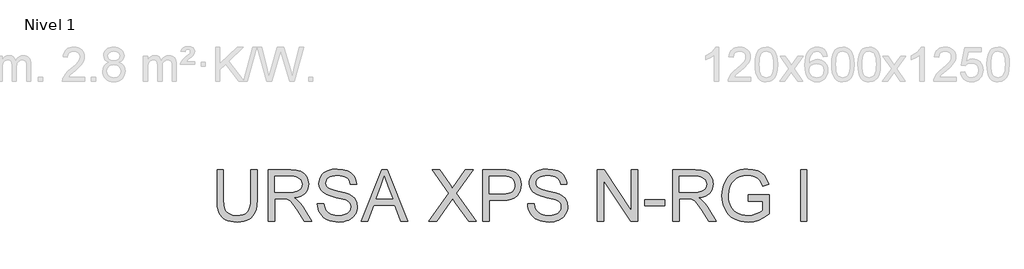
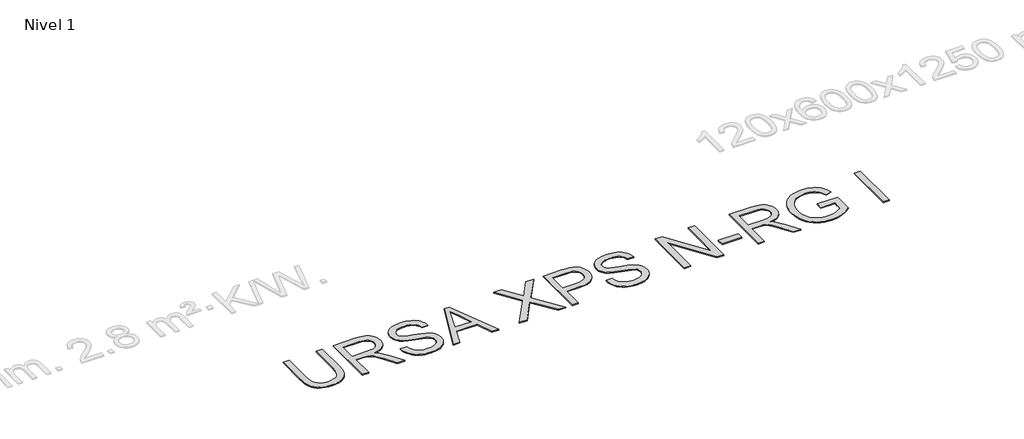
# One storey, part 3 of 4: 1 proxy.
"""IFC4 building model written with IfcOpenShell, lengths in millimetres."""

from ifc_helpers import new_model, si_unit, origin, origin_with_axes, place, context, project, spatial, polyline, outline, extrude, element, save

model = new_model("IFC4")

# Units and contexts
model_context = context("Model", 3, world=origin())
ifc_project = project(units=[si_unit("LENGTHUNIT", "METRE", prefix="MILLI")], contexts=[model_context])

# Site, building, storey
site = spatial("IfcSite", under=ifc_project)
building = spatial("IfcBuilding", under=site)
storey = spatial("IfcBuildingStorey", under=building, Name="Nivel 1", Elevation=0.0)

# Proxy
placement = place(None, origin())
element("IfcBuildingElementProxy", 1, Name="Texto de modelo 3", ObjectType="Texto de modelo 3", at=placement, inside=storey, context=model_context, shape_type="SweptSolid", body=[
    extrude(outline(polyline([(-18736.1659213, -13823.3522814), (-18660.8236886, -13823.3522814), (-18660.8236886, -14171.0743432), (-18665.9372484, -14252.5050228), (-18672.329198, -14286.1984151), (-18681.2779276, -14315.2105089), (-18693.5559892, -14340.6403518), (-18709.935935, -14363.5869913), (-18730.4177651, -14384.0504273), (-18755.0014794, -14402.0306598), (-18783.7146691, -14416.6769617), (-18816.5849254, -14427.1386059), (-18853.6122482, -14433.4155925), (-18894.7966376, -14435.5079213), (-18934.9647529, -14433.6869055), (-18971.2976985, -14428.2238578), (-19003.7954742, -14419.1187784), (-19032.4580802, -14406.3716673), (-19057.2901148, -14390.1710639), (-19078.2961768, -14370.7055079), (-19095.4762659, -14347.9749991), (-19108.8303824, -14321.9795376), (-19118.8413712, -14291.8270096), (-19125.9920774, -14256.6253012), (-19130.2825012, -14216.3744124), (-19131.7126425, -14171.0743432), (-19131.7126425, -13823.3522814), (-19056.3704099, -13823.3522814), (-19056.3704099, -14168.4255928), (-19052.6548017, -14236.134274), (-19041.5079773, -14283.2783517), (-19032.7431887, -14300.6561775), (-19021.3112557, -14315.9278788), (-19007.2121783, -14329.0934557), (-18990.4459563, -14340.1529082), (-18950.1996661, -14355.1624936), (-18901.8599719, -14360.1656887), (-18860.3352917, -14357.6916823), (-18825.2301523, -14350.269663), (-18796.5445537, -14337.899631), (-18774.278496, -14320.581586), (-18757.6042445, -14296.227798), (-18745.6940649, -14262.7505364), (-18738.5479572, -14220.1498014), (-18736.1659213, -14168.4255928), (-18736.1659213, -13823.3522814)])), origin_with_axes(), (0.0, 0.0, 1.0), 10.0),
    extrude(outline(polyline([(-18528.9747816, -14426.0901423), (-18528.9747816, -13823.3522814), (-18269.250093, -13823.3522814), (-18199.4444844, -13827.4173774), (-18148.658375, -13839.6126655), (-18129.0594617, -13849.3063561), (-18111.5390816, -13862.1270436), (-18096.0972349, -13878.0747281), (-18082.7339214, -13897.1494096), (-18071.9503804, -13918.3256169), (-18064.2478512, -13940.5778791), (-18059.6263336, -13963.9061961), (-18058.0858277, -13988.310568), (-18060.6380091, -14019.2678379), (-18068.2945531, -14047.686722), (-18081.0554598, -14073.5672204), (-18098.9207292, -14096.909333), (-18122.1202875, -14116.9680988), (-18150.884061, -14132.9985567), (-18185.2120497, -14145.0007068), (-18225.1042536, -14152.974549), (-18200.2722189, -14169.198145), (-18182.2827893, -14185.2010118), (-18151.4174899, -14221.8052703), (-18121.2143781, -14262.7505364), (-18020.709017, -14426.0901423), (-18108.2649319, -14426.0901423), (-18186.6973733, -14301.1574167), (-18243.3512005, -14218.4575442), (-18264.4124447, -14194.3428794), (-18283.1560324, -14179.3884763), (-18318.9877387, -14165.0410785), (-18362.6921198, -14162.3923281), (-18453.632549, -14162.3923281), (-18453.632549, -14426.0901423), (-18528.9747816, -14426.0901423)]), holes=[polyline([(-18453.632549, -14087.0500955), (-18284.9954424, -14087.0500955), (-18236.5637777, -14084.382951), (-18198.9846319, -14076.3815176), (-18170.6945065, -14062.5123664), (-18150.1299029, -14042.2420685), (-18137.603521, -14017.7227335), (-18133.4280604, -13991.1064712), (-18135.4192217, -13971.8386517), (-18141.3927056, -13954.3550598), (-18151.3485121, -13938.6556957), (-18165.2866411, -13924.7405592), (-18183.5289896, -13913.3454144), (-18206.3974541, -13905.2060253), (-18233.8920347, -13900.3223918), (-18266.0127314, -13898.694514), (-18453.632549, -13898.694514), (-18453.632549, -14087.0500955)])]), origin_with_axes(), (0.0, 0.0, 1.0), 10.0),
    extrude(outline(polyline([(-17954.4902579, -14218.8990026), (-17879.1480253, -14218.8990026), (-17870.5027984, -14260.7087913), (-17854.8678136, -14294.3148116), (-17830.4772373, -14320.9862562), (-17795.565236, -14341.9923182), (-17752.8909245, -14355.6223461), (-17705.213418, -14360.1656887), (-17663.2380823, -14356.7259921), (-17626.486671, -14346.4069021), (-17596.7066235, -14330.0729415), (-17575.6453793, -14308.588633), (-17563.1189973, -14283.9221452), (-17558.9435367, -14258.0416469), (-17562.0705337, -14232.8233361), (-17571.4515245, -14211.0263279), (-17590.5078119, -14192.429893), (-17622.6606983, -14176.8133023), (-17732.3631092, -14148.0449303), (-17804.3760098, -14129.007037), (-17850.4532297, -14110.8888488), (-17887.9587991, -14085.5417793), (-17914.5382732, -14054.8236327), (-17930.3755931, -14019.3965966), (-17935.6546998, -13979.9228585), (-17934.0222234, -13957.4866553), (-17929.1247943, -13935.7954132), (-17920.9624126, -13914.8491321), (-17909.5350781, -13894.647812), (-17894.9715496, -13876.014589), (-17877.4005858, -13859.7725989), (-17856.8221867, -13845.9218418), (-17833.2363523, -13834.4623176), (-17780.2245568, -13819.0664561), (-17721.5473786, -13813.9345023), (-17657.9773698, -13819.3055794), (-17602.3536121, -13835.4188108), (-17578.0182181, -13847.4209609), (-17556.6626683, -13861.9431027), (-17538.2869627, -13878.9852361), (-17522.8911012, -13898.5473612), (-17510.5946455, -13920.0592608), (-17501.5171572, -13942.950718), (-17495.6586365, -13967.2217326), (-17493.0190832, -13992.8723047), (-17568.3613158, -13992.8723047), (-17573.4012991, -13968.8312163), (-17582.1936788, -13947.9171249), (-17594.7384548, -13930.1300305), (-17611.0356272, -13915.4699329), (-17631.3886986, -13904.0104088), (-17656.1011716, -13895.8250344), (-17685.1730463, -13890.9138098), (-17718.6043226, -13889.2767349), (-17753.1024567, -13890.8954157), (-17782.5790016, -13895.751458), (-17807.0339572, -13903.8448619), (-17826.4673236, -13915.1756274), (-17841.2745739, -13928.7964582), (-17851.8511813, -13943.7600584), (-17858.1971457, -13960.0664278), (-17860.3124671, -13977.7155665), (-17858.813348, -13992.8998959), (-17854.3159906, -14006.6678796), (-17846.820395, -14019.0195175), (-17836.3265611, -14029.9548098), (-17819.8086595, -14040.310688), (-17793.7994024, -14050.7769308), (-17713.3068219, -14072.0405101), (-17630.2390674, -14092.2372316), (-17579.9863868, -14109.8587792), (-17537.0361639, -14137.1924114), (-17520.4308903, -14153.2596576), (-17507.0721754, -14170.9271904), (-17496.8036692, -14190.1030394), (-17489.4690219, -14210.6952341), (-17483.6013041, -14256.1286605), (-17485.2889627, -14279.6961008), (-17490.3519387, -14302.5737624), (-17498.790232, -14324.7616452), (-17510.6038425, -14346.2597493), (-17525.5858368, -14366.2357416), (-17543.5292811, -14383.8572892), (-17564.4341755, -14399.124392), (-17588.3005199, -14412.03705), (-17614.4339371, -14422.3055562), (-17642.1400499, -14429.6402035), (-17702.270362, -14435.5079213), (-17740.8105995, -14433.9260288), (-17776.0858843, -14429.180351), (-17808.0962165, -14421.2708881), (-17836.8415958, -14410.1976401), (-17862.4967665, -14395.9422127), (-17885.2364723, -14378.4862121), (-17905.0607133, -14357.829638), (-17921.9694895, -14333.9724907), (-17935.5903204, -14307.6873221), (-17945.5507254, -14279.7466846), (-17951.8507046, -14250.1505781), (-17954.4902579, -14218.8990026)])), origin_with_axes(), (0.0, 0.0, 1.0), 10.0),
    extrude(outline(polyline([(-17440.7798398, -14426.0901423), (-17200.185015, -13823.3522814), (-17136.026395, -13823.3522814), (-16895.4315702, -14426.0901423), (-16975.0412339, -14426.0901423), (-17044.0558962, -14237.7345607), (-17292.3026666, -14237.7345607), (-17361.1701761, -14426.0901423), (-17440.7798398, -14426.0901423)]), holes=[polyline([(-17264.6379406, -14162.3923281), (-17071.5734695, -14162.3923281), (-17125.872852, -14014.2094605), (-17168.105705, -13898.694514), (-17205.6296685, -14001.2600142), (-17264.6379406, -14162.3923281)])]), origin_with_axes(), (0.0, 0.0, 1.0), 10.0),
    extrude(outline(polyline([(-16645.4189663, -14426.0901423), (-16413.0646981, -14097.645097), (-16607.74785, -13823.3522814), (-16517.3960319, -13823.3522814), (-16407.7671974, -13977.7155665), (-16381.6107875, -14016.8214226), (-16370.8318451, -14037.9010609), (-16327.5689224, -13976.6854969), (-16219.1173103, -13823.3522814), (-16127.4411171, -13823.3522814), (-16322.1242689, -14098.5280137), (-16089.7700008, -14426.0901423), (-16180.1218188, -14426.0901423), (-16334.9265623, -14207.7153899), (-16367.1530251, -14162.3923281), (-16402.6168495, -14212.1299739), (-16553.7427731, -14426.0901423), (-16645.4189663, -14426.0901423)])), origin_with_axes(), (0.0, 0.0, 1.0), 10.0),
    extrude(outline(polyline([(-16014.4277681, -14426.0901423), (-16014.4277681, -13823.3522814), (-15791.0498207, -13823.3522814), (-15739.0313066, -13824.7870211), (-15700.9923083, -13829.0912405), (-15660.8379885, -13839.8150006), (-15627.7837912, -13857.2710013), (-15601.1675289, -13882.2501888), (-15580.3270138, -13915.5435093), (-15566.8625328, -13954.8149123), (-15562.3743725, -13997.7283471), (-15565.4048004, -14034.7280787), (-15574.4960842, -14068.7663603), (-15589.6482239, -14099.8431919), (-15610.8612194, -14127.9585734), (-15639.9836779, -14151.2638978), (-15678.8642062, -14167.910558), (-15727.5028045, -14177.8985542), (-15785.8994727, -14181.2278863), (-15939.0855355, -14181.2278863), (-15939.0855355, -14426.0901423), (-16014.4277681, -14426.0901423)]), holes=[polyline([(-15939.0855355, -14105.8856537), (-15781.4848888, -14105.8856537), (-15745.2485123, -14104.1566083), (-15714.6775185, -14098.9694721), (-15689.7719074, -14090.3242453), (-15670.5316791, -14078.2209276), (-15656.1750842, -14062.981416), (-15645.9203736, -14044.9276071), (-15639.7675472, -14024.0595009), (-15637.7166051, -14000.3770974), (-15642.5542533, -13966.5319539), (-15657.067198, -13937.9843111), (-15679.4528174, -13916.5000025), (-15707.9084898, -13903.8448619), (-15736.9711674, -13899.982101), (-15783.2507224, -13898.694514), (-15939.0855355, -13898.694514), (-15939.0855355, -14105.8856537)])]), origin_with_axes(), (0.0, 0.0, 1.0), 10.0),
    extrude(outline(polyline([(-15487.0321399, -14218.8990026), (-15411.6899072, -14218.8990026), (-15403.0446804, -14260.7087913), (-15387.4096956, -14294.3148116), (-15363.0191193, -14320.9862562), (-15328.1071179, -14341.9923182), (-15285.4328065, -14355.6223461), (-15237.7552999, -14360.1656887), (-15195.7799643, -14356.7259921), (-15159.028553, -14346.4069021), (-15129.2485054, -14330.0729415), (-15108.1872612, -14308.588633), (-15095.6608793, -14283.9221452), (-15091.4854186, -14258.0416469), (-15094.6124156, -14232.8233361), (-15103.9934065, -14211.0263279), (-15123.0496938, -14192.429893), (-15155.2025802, -14176.8133023), (-15264.9049912, -14148.0449303), (-15336.9178917, -14129.007037), (-15382.9951116, -14110.8888488), (-15420.500681, -14085.5417793), (-15447.0801552, -14054.8236327), (-15462.9174751, -14019.3965966), (-15468.1965817, -13979.9228585), (-15466.5641054, -13957.4866553), (-15461.6666763, -13935.7954132), (-15453.5042945, -13914.8491321), (-15442.07696, -13894.647812), (-15427.5134316, -13876.014589), (-15409.9424678, -13859.7725989), (-15389.3640687, -13845.9218418), (-15365.7782342, -13834.4623176), (-15312.7664387, -13819.0664561), (-15254.0892605, -13813.9345023), (-15190.5192517, -13819.3055794), (-15134.8954941, -13835.4188108), (-15110.5601001, -13847.4209609), (-15089.2045503, -13861.9431027), (-15070.8288446, -13878.9852361), (-15055.4329831, -13898.5473612), (-15043.1365274, -13920.0592608), (-15034.0590392, -13942.950718), (-15028.2005184, -13967.2217326), (-15025.5609651, -13992.8723047), (-15100.9031977, -13992.8723047), (-15105.9431811, -13968.8312163), (-15114.7355607, -13947.9171249), (-15127.2803368, -13930.1300305), (-15143.5775092, -13915.4699329), (-15163.9305805, -13904.0104088), (-15188.6430536, -13895.8250344), (-15217.7149282, -13890.9138098), (-15251.1462045, -13889.2767349), (-15285.6443386, -13890.8954157), (-15315.1208835, -13895.751458), (-15339.5758391, -13903.8448619), (-15359.0092055, -13915.1756274), (-15373.8164558, -13928.7964582), (-15384.3930632, -13943.7600584), (-15390.7390276, -13960.0664278), (-15392.8543491, -13977.7155665), (-15391.35523, -13992.8998959), (-15386.8578726, -14006.6678796), (-15379.3622769, -14019.0195175), (-15368.868443, -14029.9548098), (-15352.3505414, -14040.310688), (-15326.3412844, -14050.7769308), (-15245.8487038, -14072.0405101), (-15162.7809493, -14092.2372316), (-15112.5282688, -14109.8587792), (-15069.5780458, -14137.1924114), (-15052.9727723, -14153.2596576), (-15039.6140573, -14170.9271904), (-15029.3455511, -14190.1030394), (-15022.0109039, -14210.6952341), (-15016.143186, -14256.1286605), (-15017.8308447, -14279.6961008), (-15022.8938206, -14302.5737624), (-15031.3321139, -14324.7616452), (-15043.1457245, -14346.2597493), (-15058.1277187, -14366.2357416), (-15076.071163, -14383.8572892), (-15096.9760574, -14399.124392), (-15120.8424019, -14412.03705), (-15146.9758191, -14422.3055562), (-15174.6819319, -14429.6402035), (-15234.812244, -14435.5079213), (-15273.3524815, -14433.9260288), (-15308.6277663, -14429.180351), (-15340.6380984, -14421.2708881), (-15369.3834778, -14410.1976401), (-15395.0386484, -14395.9422127), (-15417.7783543, -14378.4862121), (-15437.6025953, -14357.829638), (-15454.5113715, -14333.9724907), (-15468.1322024, -14307.6873221), (-15478.0926074, -14279.7466846), (-15484.3925865, -14250.1505781), (-15487.0321399, -14218.8990026)])), origin_with_axes(), (0.0, 0.0, 1.0), 10.0),
    extrude(outline(polyline([(-14667.6853602, -14426.0901423), (-14667.6853602, -13823.3522814), (-14587.0456269, -13823.3522814), (-14272.138639, -14300.8631111), (-14272.138639, -13823.3522814), (-14196.7964064, -13823.3522814), (-14196.7964064, -14426.0901423), (-14277.4361397, -14426.0901423), (-14592.3431276, -13948.4321597), (-14592.3431276, -14426.0901423), (-14667.6853602, -14426.0901423)])), origin_with_axes(), (0.0, 0.0, 1.0), 10.0),
    extrude(outline(polyline([(-14112.0363947, -14247.1523398), (-14112.0363947, -14171.8101072), (-13876.5919178, -14171.8101072), (-13876.5919178, -14247.1523398), (-14112.0363947, -14247.1523398)])), origin_with_axes(), (0.0, 0.0, 1.0), 10.0),
    extrude(outline(polyline([(-13782.414127, -14426.0901423), (-13782.414127, -13823.3522814), (-13522.6894384, -13823.3522814), (-13452.8838298, -13827.4173774), (-13402.0977204, -13839.6126655), (-13382.4988071, -13849.3063561), (-13364.9784271, -13862.1270436), (-13349.5365803, -13878.0747281), (-13336.1732669, -13897.1494096), (-13325.3897259, -13918.3256169), (-13317.6871966, -13940.5778791), (-13313.065679, -13963.9061961), (-13311.5251732, -13988.310568), (-13314.0773545, -14019.2678379), (-13321.7338985, -14047.686722), (-13334.4948053, -14073.5672204), (-13352.3600746, -14096.909333), (-13375.559633, -14116.9680988), (-13404.3234065, -14132.9985567), (-13438.6513951, -14145.0007068), (-13478.543599, -14152.974549), (-13453.7115643, -14169.198145), (-13435.7221348, -14185.2010118), (-13404.8568354, -14221.8052703), (-13374.6537236, -14262.7505364), (-13274.1483625, -14426.0901423), (-13361.7042773, -14426.0901423), (-13440.1367187, -14301.1574167), (-13496.790546, -14218.4575442), (-13517.8517902, -14194.3428794), (-13536.5953778, -14179.3884763), (-13572.4270842, -14165.0410785), (-13616.1314652, -14162.3923281), (-13707.0718944, -14162.3923281), (-13707.0718944, -14426.0901423), (-13782.414127, -14426.0901423)]), holes=[polyline([(-13707.0718944, -14087.0500955), (-13538.4347878, -14087.0500955), (-13490.0031231, -14084.382951), (-13452.4239773, -14076.3815176), (-13424.1338519, -14062.5123664), (-13403.5692484, -14042.2420685), (-13391.0428664, -14017.7227335), (-13386.8674058, -13991.1064712), (-13388.8585671, -13971.8386517), (-13394.832051, -13954.3550598), (-13404.7878575, -13938.6556957), (-13418.7259866, -13924.7405592), (-13436.968335, -13913.3454144), (-13459.8367995, -13905.2060253), (-13487.3313801, -13900.3223918), (-13519.4520769, -13898.694514), (-13707.0718944, -13898.694514), (-13707.0718944, -14087.0500955)])]), origin_with_axes(), (0.0, 0.0, 1.0), 10.0),
    extrude(outline(polyline([(-12897.1428938, -14190.6456653), (-12897.1428938, -14115.3034327), (-12652.2806378, -14115.3034327), (-12652.2806378, -14340.5943666), (-12711.7855505, -14381.981091), (-12773.1666614, -14411.669168), (-12836.2768177, -14429.548233), (-12900.9688666, -14435.5079213), (-12944.2455848, -14433.139681), (-12985.489755, -14426.03496), (-13024.7013771, -14414.1937582), (-13061.8804513, -14397.6160758), (-13095.8267624, -14376.5502331), (-13125.3400954, -14351.2445503), (-13150.4204504, -14321.6990276), (-13171.0678274, -14287.9136649), (-13187.1948544, -14250.9691155), (-13198.7141594, -14211.9460329), (-13205.6257423, -14170.844417), (-13207.9296033, -14127.6642678), (-13205.6349394, -14084.4795201), (-13198.7509476, -14042.7754974), (-13187.2776278, -14002.5521997), (-13171.2149802, -13963.8096271), (-13150.8481133, -13928.2492338), (-13126.4621355, -13897.5724739), (-13098.057047, -13871.7793475), (-13065.6328476, -13850.8698546), (-13029.8931118, -13834.710638), (-12991.5414138, -13823.1683404), (-12950.5777536, -13816.2429618), (-12907.0021313, -13813.9345023), (-12844.9404387, -13819.2871853), (-12789.13274, -13835.3452344), (-12764.2133334, -13847.0990641), (-12742.1358151, -13860.9498213), (-12722.9001853, -13876.8975058), (-12706.5064439, -13894.9421176), (-12680.147699, -13938.9591983), (-12660.9626529, -13994.6381383), (-12730.4187736, -14014.2094605), (-12745.9249997, -13974.4965991), (-12764.7789519, -13944.5326106), (-12789.7213512, -13921.9446561), (-12823.4929184, -13904.3598967), (-12863.7576027, -13893.0475253), (-12908.1793537, -13889.2767349), (-12960.1794737, -13893.3418309), (-13004.6380128, -13905.5371191), (-13041.3894241, -13924.335889), (-13070.2681607, -13948.2114305), (-13092.433051, -13975.9313389), (-13109.042923, -14006.2632094), (-13126.7012588, -14063.1377658), (-13132.5873707, -14124.574059), (-13130.8169386, -14162.1945915), (-13125.5056423, -14196.6237478), (-13116.6534818, -14227.8615277), (-13104.2604571, -14255.9079313), (-13088.4875166, -14280.6571925), (-13069.4956086, -14302.0035453), (-13047.2847331, -14319.9469896), (-13021.8548902, -14334.4875255), (-12994.3970978, -14345.7217219), (-12966.1023738, -14353.7461479), (-12936.9707183, -14358.5608035), (-12907.0021313, -14360.1656887), (-12854.8180703, -14355.3280405), (-12803.9215962, -14340.8150958), (-12759.7205745, -14320.8207093), (-12727.6228704, -14299.5387359), (-12727.6228704, -14190.6456653), (-12897.1428938, -14190.6456653)])), origin_with_axes(), (0.0, 0.0, 1.0), 10.0),
    extrude(outline(polyline([(-12284.9872538, -14426.0901423), (-12284.9872538, -13823.3522814), (-12209.6450212, -13823.3522814), (-12209.6450212, -14426.0901423), (-12284.9872538, -14426.0901423)])), origin_with_axes(), (0.0, 0.0, 1.0), 10.0),
])

save(model, "model.ifc")
